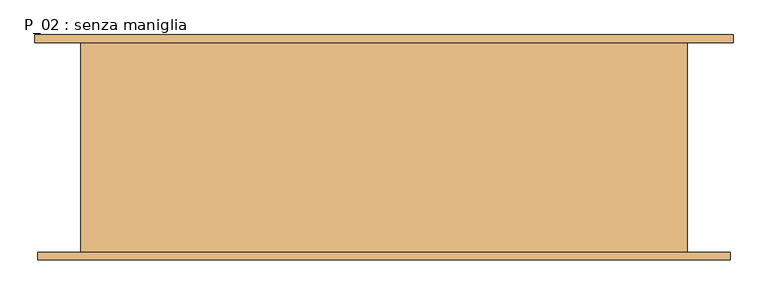
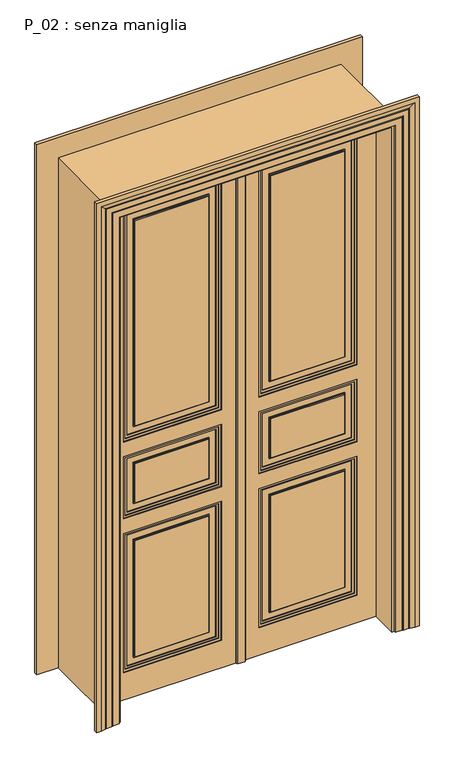
"""IFC4 building model written with IfcOpenShell, lengths in millimetres: door geometry, P_02 : senza maniglia."""

import ifcopenshell
import ifcopenshell.guid

model = None  # the IFC model being written
_history = None  # IfcOwnerHistory: only IFC2X3 demands one
_inside = {}  # id of a spatial element -> (the spatial element, [elements in it])
_under = {}  # id of a project, library or spatial element -> (it, [spatial elements below it])
_declared = {}  # id of a project -> (the project, [libraries it declares])
_typed = {}  # id of a type object -> (the type object, [elements of that type])
_made_of = {}  # id of a material, layer set ... -> (it, [elements and type objects made of it])


def new_model(schema):
    """Start an empty IFC model of exactly this schema.

    Asked for "IFC4X3", IfcOpenShell would pick the latest addendum, in which some entities
    have other attributes; the version numbers below select the first issue.
    IFC2X3 requires an IfcOwnerHistory on every rooted entity: one is made here for all.
    """
    global model, _history
    if schema == "IFC4X3":
        model = ifcopenshell.file(schema_version=(4, 3, 0, 0))
    else:
        model = ifcopenshell.file(schema=schema)
    _inside.clear()
    _under.clear()
    _declared.clear()
    _typed.clear()
    _made_of.clear()
    _history = None
    if model.schema == "IFC2X3":
        org = make("IfcOrganization", Name="unknown")
        user = make(
            "IfcPersonAndOrganization",
            ThePerson=make("IfcPerson", FamilyName="unknown"),
            TheOrganization=org,
        )
        app = make(
            "IfcApplication",
            ApplicationDeveloper=org,
            Version="unknown",
            ApplicationFullName="unknown",
            ApplicationIdentifier="unknown",
        )
        _history = make(
            "IfcOwnerHistory",
            OwningUser=user,
            OwningApplication=app,
            ChangeAction="ADDED",
            CreationDate=0,
        )
    return model


def make(cls, **values):
    """One entity of the class cls with the attributes given. An attribute that is None is left unset."""
    return model.create_entity(
        cls, **{name: value for name, value in values.items() if value is not None}
    )


def rooted(cls, **values):
    """An entity with a GlobalId (a new one), such as an element, a storey or a relation."""
    return make(cls, GlobalId=ifcopenshell.guid.new(), OwnerHistory=_history, **values)


def si_unit(unit_type, name, prefix=None):
    """IfcSIUnit, for example si_unit("LENGTHUNIT", "METRE", prefix="MILLI")."""
    return make("IfcSIUnit", UnitType=unit_type, Prefix=prefix, Name=name)


def assignment(units):
    """IfcUnitAssignment: the units of a project."""
    return None if units is None else make("IfcUnitAssignment", Units=units)


def point(xyz):
    """IfcCartesianPoint."""
    return None if xyz is None else make("IfcCartesianPoint", Coordinates=xyz)


def direction(xyz):
    """IfcDirection."""
    return None if xyz is None else make("IfcDirection", DirectionRatios=xyz)


def frame(location, z_axis=None, x_axis=None):
    """IfcAxis2Placement3D, a coordinate frame: its origin and axes. An axis left out is left unset."""
    return make(
        "IfcAxis2Placement3D",
        Location=point(location),
        Axis=direction(z_axis),
        RefDirection=direction(x_axis),
    )


def origin():
    """The frame at (0, 0, 0) with its axes left unset."""
    return frame((0.0, 0.0, 0.0))


def origin_with_axes():
    """The frame at (0, 0, 0) with the z axis (0, 0, 1) and the x axis (1, 0, 0) written out."""
    return frame((0.0, 0.0, 0.0), z_axis=(0.0, 0.0, 1.0), x_axis=(1.0, 0.0, 0.0))


def place(relative_to, where):
    """IfcLocalPlacement: puts the frame where relative to a parent placement (None: the world)."""
    return make(
        "IfcLocalPlacement", PlacementRelTo=relative_to, RelativePlacement=where
    )


def context(
    kind, dimensions, precision=None, world=None, true_north=None, identifier=None
):
    """IfcGeometricRepresentationContext, for example the 3D "Model" context."""
    return make(
        "IfcGeometricRepresentationContext",
        ContextIdentifier=identifier,
        ContextType=kind,
        CoordinateSpaceDimension=dimensions,
        Precision=precision,
        WorldCoordinateSystem=world,
        TrueNorth=true_north,
    )


def project(units=None, contexts=None):
    """IfcProject with its units and contexts."""
    return rooted(
        "IfcProject",
        Name="project",
        RepresentationContexts=contexts,
        UnitsInContext=assignment(units),
    )


def spatial(cls, under=None, at=None, **own):
    """A site, building, storey or space (cls), placed at a placement, below another one or the project."""
    s = rooted(cls, ObjectPlacement=at, **own)
    if under is not None:
        _under.setdefault(under.id(), (under, []))[1].append(s)
    return s


def polyline(points):
    """IfcPolyline through the points."""
    return make("IfcPolyline", Points=[point(p) for p in points])


def outline(outer, holes=None, kind="AREA"):
    """IfcArbitraryClosedProfileDef: a profile drawn as a closed curve; with holes, ...WithVoids."""
    if holes is None:
        return make("IfcArbitraryClosedProfileDef", ProfileType=kind, OuterCurve=outer)
    return make(
        "IfcArbitraryProfileDefWithVoids",
        ProfileType=kind,
        OuterCurve=outer,
        InnerCurves=holes,
    )


def extrude(swept, where, along, depth):
    """IfcExtrudedAreaSolid: the profile swept, set in the frame where, extruded along a direction by depth."""
    return make(
        "IfcExtrudedAreaSolid",
        SweptArea=swept,
        Position=where,
        ExtrudedDirection=direction(along),
        Depth=depth,
    )


def faces_of(points, faces, orient=None, outer=None):
    """IfcFace entities. A face is a list of loops; a loop is a list of indices into points, from 0.

    orient and outer hold one flag for each loop. By default every Orientation is true, the
    first loop of a face is its IfcFaceOuterBound and the others are IfcFaceBound.
    """
    made = []
    for i, loops in enumerate(faces):
        bounds = []
        for j, loop in enumerate(loops):
            is_outer = j == 0 if outer is None else outer[i][j]
            bounds.append(
                make(
                    "IfcFaceOuterBound" if is_outer else "IfcFaceBound",
                    Bound=make("IfcPolyLoop", Polygon=[points[k] for k in loop]),
                    Orientation=True if orient is None else orient[i][j],
                )
            )
        made.append(make("IfcFace", Bounds=bounds))
    return made


def faceted_brep(points, faces, orient=None, outer=None, voids=None):
    """IfcFacetedBrep: a solid bounded by flat faces; with voids (closed shells), ...WithVoids."""
    shared = [point(p) for p in points]
    hull = make("IfcClosedShell", CfsFaces=faces_of(shared, faces, orient, outer))
    if voids is None:
        return make("IfcFacetedBrep", Outer=hull)
    return make(
        "IfcFacetedBrepWithVoids",
        Outer=hull,
        Voids=[
            make(cls, CfsFaces=faces_of(shared, fs, o, b)) for cls, fs, o, b in voids
        ],
    )


def shape(context_of_items, identifier, shape_type, items):
    """IfcShapeRepresentation: the items that make up one representation, for example the "Body"."""
    return make(
        "IfcShapeRepresentation",
        ContextOfItems=context_of_items,
        RepresentationIdentifier=identifier,
        RepresentationType=shape_type,
        Items=items,
    )


def source(mapping_origin, context_of_items, identifier, shape_type, items):
    """IfcRepresentationMap: a shape defined once, which mapped items show again and again."""
    return make(
        "IfcRepresentationMap",
        MappingOrigin=mapping_origin,
        MappedRepresentation=shape(context_of_items, identifier, shape_type, items),
    )


def transform(
    local_origin,
    x_axis=None,
    y_axis=None,
    z_axis=None,
    scale=None,
    scale2=None,
    scale3=None,
    uniform=True,
):
    """IfcCartesianTransformationOperator3D, or its non-uniform kind. x_axis, y_axis, z_axis: its Axis1, 2, 3."""
    if uniform:
        return make(
            "IfcCartesianTransformationOperator3D",
            Axis1=direction(x_axis),
            Axis2=direction(y_axis),
            LocalOrigin=point(local_origin),
            Scale=scale,
            Axis3=direction(z_axis),
        )
    return make(
        "IfcCartesianTransformationOperator3DnonUniform",
        Axis1=direction(x_axis),
        Axis2=direction(y_axis),
        LocalOrigin=point(local_origin),
        Scale=scale,
        Axis3=direction(z_axis),
        Scale2=scale2,
        Scale3=scale3,
    )


def mapped(mapping_source, mapping_target):
    """IfcMappedItem: shows the shape of a source again, moved by a transform."""
    return make(
        "IfcMappedItem", MappingSource=mapping_source, MappingTarget=mapping_target
    )


def made_of(thing, what):
    """Note that an element or type object is made of a material, layer set ...; save() writes the relation."""
    if what is not None:
        _made_of.setdefault(what.id(), (what, []))[1].append(thing)
    return thing


def element(
    cls,
    number,
    at=None,
    inside=None,
    cuts=None,
    type_object=None,
    material=None,
    context=None,
    identifier="Body",
    shape_type=None,
    held_by="IfcProductDefinitionShape",
    body=None,
    shapes=None,
    **own,
):
    """One element of the class cls, such as IfcWall. Its Tag is "e" and its number.

    at: its placement. inside: the storey or other place that contains it. cuts: it is an
    opening in that element (IfcRelVoidsElement). A single representation is given by context,
    identifier, shape_type and body (its items); several are given by shapes. held_by: the class
    of the entity that holds the representations. save() writes the other relations.
    """
    e = rooted(cls, Tag="e%d" % number, ObjectPlacement=at, **own)
    if body is not None:
        shapes = [shape(context, identifier, shape_type, body)]
    if shapes is not None:
        e.Representation = make(held_by, Representations=shapes)
    if inside is not None:
        _inside.setdefault(inside.id(), (inside, []))[1].append(e)
    if cuts is not None:
        rooted(
            "IfcRelVoidsElement", RelatingBuildingElement=cuts, RelatedOpeningElement=e
        )
    if type_object is not None:
        _typed.setdefault(type_object.id(), (type_object, []))[1].append(e)
    return made_of(e, material)


def aggregate(whole, parts):
    """IfcRelAggregates: a whole, such as a stair, and the parts it consists of."""
    return rooted("IfcRelAggregates", RelatingObject=whole, RelatedObjects=parts)


def save(model, path):
    """Write the relations noted so far, then the file.

    IfcRelAggregates (storeys below a building ...), IfcRelContainedInSpatialStructure (elements
    in a storey), IfcRelDefinesByType, IfcRelAssociatesMaterial and IfcRelDeclares: one each for
    every whole, place, type object, material and project.
    """
    for whole, parts in _under.values():
        aggregate(whole, parts)
    for where, things in _inside.values():
        rooted(
            "IfcRelContainedInSpatialStructure",
            RelatedElements=things,
            RelatingStructure=where,
        )
    for kind, things in _typed.values():
        rooted("IfcRelDefinesByType", RelatedObjects=things, RelatingType=kind)
    for what, things in _made_of.values():
        rooted("IfcRelAssociatesMaterial", RelatedObjects=things, RelatingMaterial=what)
    for by, libraries in _declared.values():
        rooted("IfcRelDeclares", RelatingContext=by, RelatedDefinitions=libraries)
    model.write(path)


def p_02_senza_maniglia_1c77d64d(model_context):
    return source(origin(), model_context, "Body", "SolidModel", [
        extrude(outline(polyline([(0.0, -610.0), (2395.0, -610.0), (2395.0, -2.5), (2400.0, -2.5), (2400.0, -615.0), (0.0, -615.0), (0.0, -610.0)])), frame((0.0, -90.0, 0.0), z_axis=(0.0, 1.0, 0.0), x_axis=(0.0, 0.0, 1.0)), (0.0, 0.0, 1.0), 5.0),
        extrude(outline(polyline([(0.0, 615.0), (2400.0, 615.0), (2400.0, 2.5), (2395.0, 2.5), (2395.0, 610.0), (0.0, 610.0), (0.0, 615.0)])), frame((0.0, -90.0, 0.0), z_axis=(0.0, 1.0, 0.0), x_axis=(0.0, 0.0, 1.0)), (0.0, 0.0, 1.0), 5.0),
        extrude(outline(polyline([(2.5, -97.0), (2.5, -90.0), (20.0, -90.0), (20.0, -97.0), (2.5, -97.0)])), frame((0.0, 0.0, 2395.0), z_axis=(0.0, 0.0, 1.0), x_axis=(1.0, 0.0, 0.0)), (0.0, 0.0, 1.0), 5.0),
        extrude(outline(polyline([(-2.5, -97.0), (-20.0, -97.0), (-20.0, -90.0), (-2.5, -90.0), (-2.5, -97.0)])), frame((0.0, 0.0, 2395.0), z_axis=(0.0, 0.0, 1.0), x_axis=(1.0, 0.0, 0.0)), (0.0, 0.0, 1.0), 5.0),
        extrude(outline(polyline([(2.5, -97.0), (2.5, -90.0), (20.0, -90.0), (20.0, -97.0), (2.5, -97.0)])), frame((0.0, 0.0, 2395.0), z_axis=(0.0, 0.0, 1.0), x_axis=(1.0, 0.0, 0.0)), (0.0, 0.0, 1.0), 5.0),
        extrude(outline(polyline([(-2.5, -97.0), (-20.0, -97.0), (-20.0, -90.0), (-2.5, -90.0), (-2.5, -97.0)])), frame((0.0, 0.0, 2395.0), z_axis=(0.0, 0.0, 1.0), x_axis=(1.0, 0.0, 0.0)), (0.0, 0.0, 1.0), 5.0),
        extrude(outline(polyline([(15.0, -97.0), (15.0, -107.0), (-15.0, -107.0), (-15.0, -97.0), (15.0, -97.0)])), origin_with_axes(), (0.0, 0.0, 1.0), 2400.0),
        extrude(outline(polyline([(20.0, -97.0), (20.0, -102.0), (15.0, -102.0), (15.0, -97.0), (20.0, -97.0)])), origin_with_axes(), (0.0, 0.0, 1.0), 2400.0),
        extrude(outline(polyline([(-15.0, -97.0), (-15.0, -102.0), (-20.0, -102.0), (-20.0, -97.0), (-15.0, -97.0)])), origin_with_axes(), (0.0, 0.0, 1.0), 2400.0),
        extrude(outline(polyline([(-470.0, -75.0), (-470.0, -67.0), (-140.0, -67.0), (-140.0, -75.0), (-470.0, -75.0)])), frame((0.0, 0.0, 185.0), z_axis=(0.0, 0.0, 1.0), x_axis=(1.0, 0.0, 0.0)), (0.0, 0.0, 1.0), 550.0),
        extrude(outline(polyline([(-470.0, -75.0), (-470.0, -67.0), (-140.0, -67.0), (-140.0, -75.0), (-470.0, -75.0)])), frame((0.0, 0.0, 915.0), z_axis=(0.0, 0.0, 1.0), x_axis=(1.0, 0.0, 0.0)), (0.0, 0.0, 1.0), 185.0),
        extrude(outline(polyline([(-470.0, -75.0), (-470.0, -67.0), (-140.0, -67.0), (-140.0, -75.0), (-470.0, -75.0)])), frame((0.0, 0.0, 1280.0), z_axis=(0.0, 0.0, 1.0), x_axis=(1.0, 0.0, 0.0)), (0.0, 0.0, 1.0), 975.0),
        extrude(outline(polyline([(2300.0, -95.0), (2300.0, -515.0), (1235.0, -515.0), (1235.0, -95.0), (2300.0, -95.0)]), holes=[polyline([(2290.0, -105.0), (1245.0, -105.0), (1245.0, -505.0), (2290.0, -505.0), (2290.0, -105.0)])]), frame((0.0, -75.0, 0.0), z_axis=(0.0, 1.0, 0.0), x_axis=(0.0, 0.0, 1.0)), (0.0, 0.0, 1.0), 4.0),
        extrude(outline(polyline([(780.0, -95.0), (780.0, -515.0), (140.0, -515.0), (140.0, -95.0), (780.0, -95.0)]), holes=[polyline([(770.0, -105.0), (150.0, -105.0), (150.0, -505.0), (770.0, -505.0), (770.0, -105.0)])]), frame((0.0, -75.0, 0.0), z_axis=(0.0, 1.0, 0.0), x_axis=(0.0, 0.0, 1.0)), (0.0, 0.0, 1.0), 4.0),
        extrude(outline(polyline([(740.0, -135.0), (740.0, -475.0), (180.0, -475.0), (180.0, -135.0), (740.0, -135.0)]), holes=[polyline([(735.0, -140.0), (185.0, -140.0), (185.0, -470.0), (735.0, -470.0), (735.0, -140.0)])]), frame((0.0, -75.0, 0.0), z_axis=(0.0, 1.0, 0.0), x_axis=(0.0, 0.0, 1.0)), (0.0, 0.0, 1.0), 4.0),
        extrude(outline(polyline([(1145.0, -95.0), (1145.0, -515.0), (870.0, -515.0), (870.0, -95.0), (1145.0, -95.0)]), holes=[polyline([(1135.0, -105.0), (880.0, -105.0), (880.0, -505.0), (1135.0, -505.0), (1135.0, -105.0)])]), frame((0.0, -75.0, 0.0), z_axis=(0.0, 1.0, 0.0), x_axis=(0.0, 0.0, 1.0)), (0.0, 0.0, 1.0), 4.0),
        extrude(outline(polyline([(1105.0, -135.0), (1105.0, -475.0), (910.0, -475.0), (910.0, -135.0), (1105.0, -135.0)]), holes=[polyline([(1100.0, -140.0), (915.0, -140.0), (915.0, -470.0), (1100.0, -470.0), (1100.0, -140.0)])]), frame((0.0, -75.0, 0.0), z_axis=(0.0, 1.0, 0.0), x_axis=(0.0, 0.0, 1.0)), (0.0, 0.0, 1.0), 4.0),
        extrude(outline(polyline([(2260.0, -135.0), (2260.0, -475.0), (1275.0, -475.0), (1275.0, -135.0), (2260.0, -135.0)]), holes=[polyline([(2255.0, -140.0), (1280.0, -140.0), (1280.0, -470.0), (2255.0, -470.0), (2255.0, -140.0)])]), frame((0.0, -75.0, 0.0), z_axis=(0.0, 1.0, 0.0), x_axis=(0.0, 0.0, 1.0)), (0.0, 0.0, 1.0), 4.0),
        extrude(outline(polyline([(1225.0, -85.0), (2310.0, -85.0), (2310.0, -525.0), (1225.0, -525.0), (1225.0, -85.0)]), holes=[polyline([(2300.0, -95.0), (1235.0, -95.0), (1235.0, -515.0), (2300.0, -515.0), (2300.0, -95.0)])]), frame((0.0, -75.0, 0.0), z_axis=(0.0, 1.0, 0.0), x_axis=(0.0, 0.0, 1.0)), (0.0, 0.0, 1.0), 8.0),
        extrude(outline(polyline([(130.0, -525.0), (130.0, -85.0), (790.0, -85.0), (790.0, -525.0), (130.0, -525.0)]), holes=[polyline([(780.0, -95.0), (140.0, -95.0), (140.0, -515.0), (780.0, -515.0), (780.0, -95.0)])]), frame((0.0, -75.0, 0.0), z_axis=(0.0, 1.0, 0.0), x_axis=(0.0, 0.0, 1.0)), (0.0, 0.0, 1.0), 8.0),
        extrude(outline(polyline([(1155.0, -85.0), (1155.0, -525.0), (860.0, -525.0), (860.0, -85.0), (1155.0, -85.0)]), holes=[polyline([(870.0, -95.0), (870.0, -515.0), (1145.0, -515.0), (1145.0, -95.0), (870.0, -95.0)])]), frame((0.0, -75.0, 0.0), z_axis=(0.0, 1.0, 0.0), x_axis=(0.0, 0.0, 1.0)), (0.0, 0.0, 1.0), 8.0),
        extrude(outline(polyline([(0.0, -610.0), (0.0, -2.5), (2395.0, -2.5), (2395.0, -610.0), (0.0, -610.0)]), holes=[polyline([(1225.0, -85.0), (1225.0, -525.0), (2310.0, -525.0), (2310.0, -85.0), (1225.0, -85.0)]), polyline([(130.0, -85.0), (130.0, -525.0), (790.0, -525.0), (790.0, -85.0), (130.0, -85.0)]), polyline([(1155.0, -525.0), (1155.0, -85.0), (860.0, -85.0), (860.0, -525.0), (1155.0, -525.0)])]), frame((0.0, -75.0, 0.0), z_axis=(0.0, 1.0, 0.0), x_axis=(0.0, 0.0, 1.0)), (0.0, 0.0, 1.0), 12.0),
        extrude(outline(polyline([(140.0, -75.0), (140.0, -67.0), (470.0, -67.0), (470.0, -75.0), (140.0, -75.0)])), frame((0.0, 0.0, 185.0), z_axis=(0.0, 0.0, 1.0), x_axis=(1.0, 0.0, 0.0)), (0.0, 0.0, 1.0), 550.0),
        extrude(outline(polyline([(140.0, -75.0), (140.0, -67.0), (470.0, -67.0), (470.0, -75.0), (140.0, -75.0)])), frame((0.0, 0.0, 915.0), z_axis=(0.0, 0.0, 1.0), x_axis=(1.0, 0.0, 0.0)), (0.0, 0.0, 1.0), 185.0),
        extrude(outline(polyline([(140.0, -75.0), (140.0, -67.0), (470.0, -67.0), (470.0, -75.0), (140.0, -75.0)])), frame((0.0, 0.0, 1280.0), z_axis=(0.0, 0.0, 1.0), x_axis=(1.0, 0.0, 0.0)), (0.0, 0.0, 1.0), 975.0),
        extrude(outline(polyline([(2300.0, 95.0), (1235.0, 95.0), (1235.0, 515.0), (2300.0, 515.0), (2300.0, 95.0)]), holes=[polyline([(2290.0, 105.0), (2290.0, 505.0), (1245.0, 505.0), (1245.0, 105.0), (2290.0, 105.0)])]), frame((0.0, -75.0, 0.0), z_axis=(0.0, 1.0, 0.0), x_axis=(0.0, 0.0, 1.0)), (0.0, 0.0, 1.0), 4.0),
        extrude(outline(polyline([(780.0, 95.0), (140.0, 95.0), (140.0, 515.0), (780.0, 515.0), (780.0, 95.0)]), holes=[polyline([(770.0, 105.0), (770.0, 505.0), (150.0, 505.0), (150.0, 105.0), (770.0, 105.0)])]), frame((0.0, -75.0, 0.0), z_axis=(0.0, 1.0, 0.0), x_axis=(0.0, 0.0, 1.0)), (0.0, 0.0, 1.0), 4.0),
        extrude(outline(polyline([(740.0, 135.0), (180.0, 135.0), (180.0, 475.0), (740.0, 475.0), (740.0, 135.0)]), holes=[polyline([(735.0, 140.0), (735.0, 470.0), (185.0, 470.0), (185.0, 140.0), (735.0, 140.0)])]), frame((0.0, -75.0, 0.0), z_axis=(0.0, 1.0, 0.0), x_axis=(0.0, 0.0, 1.0)), (0.0, 0.0, 1.0), 4.0),
        extrude(outline(polyline([(1145.0, 95.0), (870.0, 95.0), (870.0, 515.0), (1145.0, 515.0), (1145.0, 95.0)]), holes=[polyline([(1135.0, 105.0), (1135.0, 505.0), (880.0, 505.0), (880.0, 105.0), (1135.0, 105.0)])]), frame((0.0, -75.0, 0.0), z_axis=(0.0, 1.0, 0.0), x_axis=(0.0, 0.0, 1.0)), (0.0, 0.0, 1.0), 4.0),
        extrude(outline(polyline([(1105.0, 135.0), (910.0, 135.0), (910.0, 475.0), (1105.0, 475.0), (1105.0, 135.0)]), holes=[polyline([(1100.0, 140.0), (1100.0, 470.0), (915.0, 470.0), (915.0, 140.0), (1100.0, 140.0)])]), frame((0.0, -75.0, 0.0), z_axis=(0.0, 1.0, 0.0), x_axis=(0.0, 0.0, 1.0)), (0.0, 0.0, 1.0), 4.0),
        extrude(outline(polyline([(2260.0, 135.0), (1275.0, 135.0), (1275.0, 475.0), (2260.0, 475.0), (2260.0, 135.0)]), holes=[polyline([(2255.0, 140.0), (2255.0, 470.0), (1280.0, 470.0), (1280.0, 140.0), (2255.0, 140.0)])]), frame((0.0, -75.0, 0.0), z_axis=(0.0, 1.0, 0.0), x_axis=(0.0, 0.0, 1.0)), (0.0, 0.0, 1.0), 4.0),
        extrude(outline(polyline([(1225.0, 85.0), (1225.0, 525.0), (2310.0, 525.0), (2310.0, 85.0), (1225.0, 85.0)]), holes=[polyline([(2300.0, 95.0), (2300.0, 515.0), (1235.0, 515.0), (1235.0, 95.0), (2300.0, 95.0)])]), frame((0.0, -75.0, 0.0), z_axis=(0.0, 1.0, 0.0), x_axis=(0.0, 0.0, 1.0)), (0.0, 0.0, 1.0), 8.0),
        extrude(outline(polyline([(130.0, 525.0), (790.0, 525.0), (790.0, 85.0), (130.0, 85.0), (130.0, 525.0)]), holes=[polyline([(780.0, 95.0), (780.0, 515.0), (140.0, 515.0), (140.0, 95.0), (780.0, 95.0)])]), frame((0.0, -75.0, 0.0), z_axis=(0.0, 1.0, 0.0), x_axis=(0.0, 0.0, 1.0)), (0.0, 0.0, 1.0), 8.0),
        extrude(outline(polyline([(1155.0, 85.0), (860.0, 85.0), (860.0, 525.0), (1155.0, 525.0), (1155.0, 85.0)]), holes=[polyline([(870.0, 95.0), (1145.0, 95.0), (1145.0, 515.0), (870.0, 515.0), (870.0, 95.0)])]), frame((0.0, -75.0, 0.0), z_axis=(0.0, 1.0, 0.0), x_axis=(0.0, 0.0, 1.0)), (0.0, 0.0, 1.0), 8.0),
        extrude(outline(polyline([(0.0, 610.0), (2395.0, 610.0), (2395.0, 2.5), (0.0, 2.5), (0.0, 610.0)]), holes=[polyline([(1225.0, 85.0), (2310.0, 85.0), (2310.0, 525.0), (1225.0, 525.0), (1225.0, 85.0)]), polyline([(130.0, 85.0), (790.0, 85.0), (790.0, 525.0), (130.0, 525.0), (130.0, 85.0)]), polyline([(1155.0, 525.0), (860.0, 525.0), (860.0, 85.0), (1155.0, 85.0), (1155.0, 525.0)])]), frame((0.0, -75.0, 0.0), z_axis=(0.0, 1.0, 0.0), x_axis=(0.0, 0.0, 1.0)), (0.0, 0.0, 1.0), 12.0),
        extrude(outline(polyline([(-140.0, -85.0), (-140.0, -93.0), (-470.0, -93.0), (-470.0, -85.0), (-140.0, -85.0)])), frame((0.0, 0.0, 185.0), z_axis=(0.0, 0.0, 1.0), x_axis=(1.0, 0.0, 0.0)), (0.0, 0.0, 1.0), 550.0),
        extrude(outline(polyline([(-140.0, -85.0), (-140.0, -93.0), (-470.0, -93.0), (-470.0, -85.0), (-140.0, -85.0)])), frame((0.0, 0.0, 915.0), z_axis=(0.0, 0.0, 1.0), x_axis=(1.0, 0.0, 0.0)), (0.0, 0.0, 1.0), 185.0),
        extrude(outline(polyline([(-140.0, -85.0), (-140.0, -93.0), (-470.0, -93.0), (-470.0, -85.0), (-140.0, -85.0)])), frame((0.0, 0.0, 1280.0), z_axis=(0.0, 0.0, 1.0), x_axis=(1.0, 0.0, 0.0)), (0.0, 0.0, 1.0), 975.0),
        extrude(outline(polyline([(2300.0, -95.0), (2300.0, -515.0), (1235.0, -515.0), (1235.0, -95.0), (2300.0, -95.0)]), holes=[polyline([(2290.0, -105.0), (1245.0, -105.0), (1245.0, -505.0), (2290.0, -505.0), (2290.0, -105.0)])]), frame((0.0, -89.0, 0.0), z_axis=(0.0, 1.0, 0.0), x_axis=(0.0, 0.0, 1.0)), (0.0, 0.0, 1.0), 4.0),
        extrude(outline(polyline([(780.0, -95.0), (780.0, -515.0), (140.0, -515.0), (140.0, -95.0), (780.0, -95.0)]), holes=[polyline([(770.0, -105.0), (150.0, -105.0), (150.0, -505.0), (770.0, -505.0), (770.0, -105.0)])]), frame((0.0, -89.0, 0.0), z_axis=(0.0, 1.0, 0.0), x_axis=(0.0, 0.0, 1.0)), (0.0, 0.0, 1.0), 4.0),
        extrude(outline(polyline([(740.0, -135.0), (740.0, -475.0), (180.0, -475.0), (180.0, -135.0), (740.0, -135.0)]), holes=[polyline([(735.0, -140.0), (185.0, -140.0), (185.0, -470.0), (735.0, -470.0), (735.0, -140.0)])]), frame((0.0, -89.0, 0.0), z_axis=(0.0, 1.0, 0.0), x_axis=(0.0, 0.0, 1.0)), (0.0, 0.0, 1.0), 4.0),
        extrude(outline(polyline([(1145.0, -95.0), (1145.0, -515.0), (870.0, -515.0), (870.0, -95.0), (1145.0, -95.0)]), holes=[polyline([(1135.0, -105.0), (880.0, -105.0), (880.0, -505.0), (1135.0, -505.0), (1135.0, -105.0)])]), frame((0.0, -89.0, 0.0), z_axis=(0.0, 1.0, 0.0), x_axis=(0.0, 0.0, 1.0)), (0.0, 0.0, 1.0), 4.0),
        extrude(outline(polyline([(1105.0, -135.0), (1105.0, -475.0), (910.0, -475.0), (910.0, -135.0), (1105.0, -135.0)]), holes=[polyline([(1100.0, -140.0), (915.0, -140.0), (915.0, -470.0), (1100.0, -470.0), (1100.0, -140.0)])]), frame((0.0, -89.0, 0.0), z_axis=(0.0, 1.0, 0.0), x_axis=(0.0, 0.0, 1.0)), (0.0, 0.0, 1.0), 4.0),
        extrude(outline(polyline([(2260.0, -135.0), (2260.0, -475.0), (1275.0, -475.0), (1275.0, -135.0), (2260.0, -135.0)]), holes=[polyline([(2255.0, -140.0), (1280.0, -140.0), (1280.0, -470.0), (2255.0, -470.0), (2255.0, -140.0)])]), frame((0.0, -89.0, 0.0), z_axis=(0.0, 1.0, 0.0), x_axis=(0.0, 0.0, 1.0)), (0.0, 0.0, 1.0), 4.0),
        extrude(outline(polyline([(1225.0, -85.0), (2310.0, -85.0), (2310.0, -525.0), (1225.0, -525.0), (1225.0, -85.0)]), holes=[polyline([(2300.0, -95.0), (1235.0, -95.0), (1235.0, -515.0), (2300.0, -515.0), (2300.0, -95.0)])]), frame((0.0, -93.0, 0.0), z_axis=(0.0, 1.0, 0.0), x_axis=(0.0, 0.0, 1.0)), (0.0, 0.0, 1.0), 8.0),
        extrude(outline(polyline([(130.0, -525.0), (130.0, -85.0), (790.0, -85.0), (790.0, -525.0), (130.0, -525.0)]), holes=[polyline([(780.0, -95.0), (140.0, -95.0), (140.0, -515.0), (780.0, -515.0), (780.0, -95.0)])]), frame((0.0, -93.0, 0.0), z_axis=(0.0, 1.0, 0.0), x_axis=(0.0, 0.0, 1.0)), (0.0, 0.0, 1.0), 8.0),
        extrude(outline(polyline([(1155.0, -85.0), (1155.0, -525.0), (860.0, -525.0), (860.0, -85.0), (1155.0, -85.0)]), holes=[polyline([(870.0, -95.0), (870.0, -515.0), (1145.0, -515.0), (1145.0, -95.0), (870.0, -95.0)])]), frame((0.0, -93.0, 0.0), z_axis=(0.0, 1.0, 0.0), x_axis=(0.0, 0.0, 1.0)), (0.0, 0.0, 1.0), 8.0),
        extrude(outline(polyline([(0.0, -610.0), (0.0, -2.5), (2395.0, -2.5), (2395.0, -610.0), (0.0, -610.0)]), holes=[polyline([(1225.0, -85.0), (1225.0, -525.0), (2310.0, -525.0), (2310.0, -85.0), (1225.0, -85.0)]), polyline([(130.0, -85.0), (130.0, -525.0), (790.0, -525.0), (790.0, -85.0), (130.0, -85.0)]), polyline([(1155.0, -525.0), (1155.0, -85.0), (860.0, -85.0), (860.0, -525.0), (1155.0, -525.0)])]), frame((0.0, -97.0, 0.0), z_axis=(0.0, 1.0, 0.0), x_axis=(0.0, 0.0, 1.0)), (0.0, 0.0, 1.0), 12.0),
        extrude(outline(polyline([(0.0, -610.0), (2395.0, -610.0), (2395.0, -2.5), (2400.0, -2.5), (2400.0, -615.0), (0.0, -615.0), (0.0, -610.0)])), frame((0.0, -90.0, 0.0), z_axis=(0.0, 1.0, 0.0), x_axis=(0.0, 0.0, 1.0)), (0.0, 0.0, 1.0), 5.0),
        extrude(outline(polyline([(-2.5, -75.0), (-2.5, -85.0), (-615.0, -85.0), (-615.0, -75.0), (-2.5, -75.0)])), origin_with_axes(), (0.0, 0.0, 1.0), 2400.0),
        extrude(outline(polyline([(615.0, -75.0), (615.0, -85.0), (2.5, -85.0), (2.5, -75.0), (615.0, -75.0)])), origin_with_axes(), (0.0, 0.0, 1.0), 2400.0),
        extrude(outline(polyline([(470.0, -85.0), (470.0, -93.0), (140.0, -93.0), (140.0, -85.0), (470.0, -85.0)])), frame((0.0, 0.0, 185.0), z_axis=(0.0, 0.0, 1.0), x_axis=(1.0, 0.0, 0.0)), (0.0, 0.0, 1.0), 550.0),
        extrude(outline(polyline([(470.0, -85.0), (470.0, -93.0), (140.0, -93.0), (140.0, -85.0), (470.0, -85.0)])), frame((0.0, 0.0, 915.0), z_axis=(0.0, 0.0, 1.0), x_axis=(1.0, 0.0, 0.0)), (0.0, 0.0, 1.0), 185.0),
        extrude(outline(polyline([(470.0, -85.0), (470.0, -93.0), (140.0, -93.0), (140.0, -85.0), (470.0, -85.0)])), frame((0.0, 0.0, 1280.0), z_axis=(0.0, 0.0, 1.0), x_axis=(1.0, 0.0, 0.0)), (0.0, 0.0, 1.0), 975.0),
        extrude(outline(polyline([(2300.0, 95.0), (1235.0, 95.0), (1235.0, 515.0), (2300.0, 515.0), (2300.0, 95.0)]), holes=[polyline([(2290.0, 105.0), (2290.0, 505.0), (1245.0, 505.0), (1245.0, 105.0), (2290.0, 105.0)])]), frame((0.0, -89.0, 0.0), z_axis=(0.0, 1.0, 0.0), x_axis=(0.0, 0.0, 1.0)), (0.0, 0.0, 1.0), 4.0),
        extrude(outline(polyline([(780.0, 95.0), (140.0, 95.0), (140.0, 515.0), (780.0, 515.0), (780.0, 95.0)]), holes=[polyline([(770.0, 105.0), (770.0, 505.0), (150.0, 505.0), (150.0, 105.0), (770.0, 105.0)])]), frame((0.0, -89.0, 0.0), z_axis=(0.0, 1.0, 0.0), x_axis=(0.0, 0.0, 1.0)), (0.0, 0.0, 1.0), 4.0),
        extrude(outline(polyline([(740.0, 135.0), (180.0, 135.0), (180.0, 475.0), (740.0, 475.0), (740.0, 135.0)]), holes=[polyline([(735.0, 140.0), (735.0, 470.0), (185.0, 470.0), (185.0, 140.0), (735.0, 140.0)])]), frame((0.0, -89.0, 0.0), z_axis=(0.0, 1.0, 0.0), x_axis=(0.0, 0.0, 1.0)), (0.0, 0.0, 1.0), 4.0),
        extrude(outline(polyline([(1145.0, 95.0), (870.0, 95.0), (870.0, 515.0), (1145.0, 515.0), (1145.0, 95.0)]), holes=[polyline([(1135.0, 105.0), (1135.0, 505.0), (880.0, 505.0), (880.0, 105.0), (1135.0, 105.0)])]), frame((0.0, -89.0, 0.0), z_axis=(0.0, 1.0, 0.0), x_axis=(0.0, 0.0, 1.0)), (0.0, 0.0, 1.0), 4.0),
        extrude(outline(polyline([(1105.0, 135.0), (910.0, 135.0), (910.0, 475.0), (1105.0, 475.0), (1105.0, 135.0)]), holes=[polyline([(1100.0, 140.0), (1100.0, 470.0), (915.0, 470.0), (915.0, 140.0), (1100.0, 140.0)])]), frame((0.0, -89.0, 0.0), z_axis=(0.0, 1.0, 0.0), x_axis=(0.0, 0.0, 1.0)), (0.0, 0.0, 1.0), 4.0),
        extrude(outline(polyline([(2260.0, 135.0), (1275.0, 135.0), (1275.0, 475.0), (2260.0, 475.0), (2260.0, 135.0)]), holes=[polyline([(2255.0, 140.0), (2255.0, 470.0), (1280.0, 470.0), (1280.0, 140.0), (2255.0, 140.0)])]), frame((0.0, -89.0, 0.0), z_axis=(0.0, 1.0, 0.0), x_axis=(0.0, 0.0, 1.0)), (0.0, 0.0, 1.0), 4.0),
        extrude(outline(polyline([(1225.0, 85.0), (1225.0, 525.0), (2310.0, 525.0), (2310.0, 85.0), (1225.0, 85.0)]), holes=[polyline([(2300.0, 95.0), (2300.0, 515.0), (1235.0, 515.0), (1235.0, 95.0), (2300.0, 95.0)])]), frame((0.0, -93.0, 0.0), z_axis=(0.0, 1.0, 0.0), x_axis=(0.0, 0.0, 1.0)), (0.0, 0.0, 1.0), 8.0),
        extrude(outline(polyline([(130.0, 525.0), (790.0, 525.0), (790.0, 85.0), (130.0, 85.0), (130.0, 525.0)]), holes=[polyline([(780.0, 95.0), (780.0, 515.0), (140.0, 515.0), (140.0, 95.0), (780.0, 95.0)])]), frame((0.0, -93.0, 0.0), z_axis=(0.0, 1.0, 0.0), x_axis=(0.0, 0.0, 1.0)), (0.0, 0.0, 1.0), 8.0),
        extrude(outline(polyline([(1155.0, 85.0), (860.0, 85.0), (860.0, 525.0), (1155.0, 525.0), (1155.0, 85.0)]), holes=[polyline([(870.0, 95.0), (1145.0, 95.0), (1145.0, 515.0), (870.0, 515.0), (870.0, 95.0)])]), frame((0.0, -93.0, 0.0), z_axis=(0.0, 1.0, 0.0), x_axis=(0.0, 0.0, 1.0)), (0.0, 0.0, 1.0), 8.0),
        extrude(outline(polyline([(0.0, 610.0), (2395.0, 610.0), (2395.0, 2.5), (0.0, 2.5), (0.0, 610.0)]), holes=[polyline([(1225.0, 85.0), (2310.0, 85.0), (2310.0, 525.0), (1225.0, 525.0), (1225.0, 85.0)]), polyline([(130.0, 85.0), (790.0, 85.0), (790.0, 525.0), (130.0, 525.0), (130.0, 85.0)]), polyline([(1155.0, 525.0), (860.0, 525.0), (860.0, 85.0), (1155.0, 85.0), (1155.0, 525.0)])]), frame((0.0, -97.0, 0.0), z_axis=(0.0, 1.0, 0.0), x_axis=(0.0, 0.0, 1.0)), (0.0, 0.0, 1.0), 12.0),
        extrude(outline(polyline([(0.0, 615.0), (2400.0, 615.0), (2400.0, 2.5), (2395.0, 2.5), (2395.0, 610.0), (0.0, 610.0), (0.0, 615.0)])), frame((0.0, -90.0, 0.0), z_axis=(0.0, 1.0, 0.0), x_axis=(0.0, 0.0, 1.0)), (0.0, 0.0, 1.0), 5.0),
        faceted_brep([(725.0, -220.0, 0.0), (725.0, -236.0, 0.0), (705.0, -236.0, 0.0), (685.0, -232.0291126, 0.0), (685.0, -231.0291126, 0.0), (680.0, -231.0291126, 0.0), (680.0, -230.0291126, 0.0), (656.0, -230.0291126, 0.0), (656.0, -229.0291126, 0.0), (651.0, -229.0291126, 0.0), (651.0, -228.0291126, 0.0), (621.0, -228.0291126, 0.0), (621.0, -220.0, 0.0), (611.0, -220.0, 0.0), (611.0, 220.0, 0.0), (621.0, 220.0, 0.0), (621.0, 228.0291126, 0.0), (651.0, 228.0291126, 0.0), (651.0, 229.0291126, 0.0), (656.0, 229.0291126, 0.0), (656.0, 230.0291126, 0.0), (686.0, 230.0291126, 0.0), (686.0, 231.0291126, 0.0), (691.0, 231.0291126, 0.0), (691.0, 232.0291126, 0.0), (711.0, 236.0, 0.0), (731.0, 236.0, 0.0), (731.0, 220.0, 0.0), (635.0, 220.0, 0.0), (635.0, -220.0, 0.0), (635.0, -220.0, 2420.0), (-635.0, -220.0, 2420.0), (-635.0, -220.0, 0.0), (-725.0, -220.0, 0.0), (-725.0, -220.0, 2510.0), (725.0, -220.0, 2510.0), (635.0, 220.0, 2420.0), (731.0, 220.0, 2516.0), (-731.0, 220.0, 2516.0), (-731.0, 220.0, 0.0), (-635.0, 220.0, 0.0), (-635.0, 220.0, 2420.0), (731.0, 236.0, 2516.0), (711.0, 236.0, 2496.0), (-711.0, 236.0, 2496.0), (-711.0, 236.0, 0.0), (-731.0, 236.0, 0.0), (-731.0, 236.0, 2516.0), (691.0, 232.0291126, 2476.0), (691.0, 231.0291126, 2476.0), (686.0, 231.0291126, 2471.0), (-686.0, 231.0291126, 2471.0), (-686.0, 231.0291126, 0.0), (-691.0, 231.0291126, 0.0), (-691.0, 231.0291126, 2476.0), (686.0, 230.0291126, 2471.0), (656.0, 230.0291126, 2441.0), (-656.0, 230.0291126, 2441.0), (-656.0, 230.0291126, 0.0), (-686.0, 230.0291126, 0.0), (-686.0, 230.0291126, 2471.0), (656.0, 229.0291126, 2441.0), (651.0, 229.0291126, 2436.0), (-651.0, 229.0291126, 2436.0), (-651.0, 229.0291126, 0.0), (-656.0, 229.0291126, 0.0), (-656.0, 229.0291126, 2441.0), (651.0, 228.0291126, 2436.0), (621.0, 228.0291126, 2406.0), (-621.0, 228.0291126, 2406.0), (-621.0, 228.0291126, 0.0), (-651.0, 228.0291126, 0.0), (-651.0, 228.0291126, 2436.0), (621.0, 220.0, 2406.0), (611.0, 220.0, 2396.0), (-611.0, 220.0, 2396.0), (-611.0, 220.0, 0.0), (-621.0, 220.0, 0.0), (-621.0, 220.0, 2406.0), (611.0, -220.0, 2396.0), (621.0, -220.0, 2406.0), (-621.0, -220.0, 2406.0), (-621.0, -220.0, 0.0), (-611.0, -220.0, 0.0), (-611.0, -220.0, 2396.0), (621.0, -228.0291126, 2406.0), (651.0, -228.0291126, 2436.0), (-651.0, -228.0291126, 2436.0), (-651.0, -228.0291126, 0.0), (-621.0, -228.0291126, 0.0), (-621.0, -228.0291126, 2406.0), (651.0, -229.0291126, 2436.0), (656.0, -229.0291126, 2441.0), (-656.0, -229.0291126, 2441.0), (-656.0, -229.0291126, 0.0), (-651.0, -229.0291126, 0.0), (-651.0, -229.0291126, 2436.0), (656.0, -230.0291126, 2441.0), (680.0, -230.0291126, 2465.0), (-680.0, -230.0291126, 2465.0), (-680.0, -230.0291126, 0.0), (-656.0, -230.0291126, 0.0), (-656.0, -230.0291126, 2441.0), (680.0, -231.0291126, 2465.0), (685.0, -231.0291126, 2470.0), (-685.0, -231.0291126, 2470.0), (-685.0, -231.0291126, 0.0), (-680.0, -231.0291126, 0.0), (-680.0, -231.0291126, 2465.0), (685.0, -232.0291126, 2470.0), (705.0, -236.0, 2490.0), (725.0, -236.0, 2510.0), (-725.0, -236.0, 2510.0), (-725.0, -236.0, 0.0), (-705.0, -236.0, 0.0), (-705.0, -236.0, 2490.0), (-691.0, 232.0291126, 0.0), (-685.0, -232.0291126, 0.0), (-685.0, -232.0291126, 2470.0), (-691.0, 232.0291126, 2476.0)], [[[0, 1, 2, 3, 4, 5, 6, 7, 8, 9, 10, 11, 12, 13, 14, 15, 16, 17, 18, 19, 20, 21, 22, 23, 24, 25, 26, 27, 28, 29]], [[29, 30, 31, 32, 33, 34, 35, 0]], [[28, 36, 30, 29]], [[27, 37, 38, 39, 40, 41, 36, 28]], [[26, 42, 37, 27]], [[25, 43, 44, 45, 46, 47, 42, 26]], [[24, 48, 43, 25]], [[23, 49, 48, 24]], [[22, 50, 51, 52, 53, 54, 49, 23]], [[21, 55, 50, 22]], [[20, 56, 57, 58, 59, 60, 55, 21]], [[19, 61, 56, 20]], [[18, 62, 63, 64, 65, 66, 61, 19]], [[17, 67, 62, 18]], [[16, 68, 69, 70, 71, 72, 67, 17]], [[15, 73, 68, 16]], [[14, 74, 75, 76, 77, 78, 73, 15]], [[13, 79, 74, 14]], [[12, 80, 81, 82, 83, 84, 79, 13]], [[11, 85, 80, 12]], [[10, 86, 87, 88, 89, 90, 85, 11]], [[9, 91, 86, 10]], [[8, 92, 93, 94, 95, 96, 91, 9]], [[7, 97, 92, 8]], [[6, 98, 99, 100, 101, 102, 97, 7]], [[5, 103, 98, 6]], [[4, 104, 105, 106, 107, 108, 103, 5]], [[3, 109, 104, 4]], [[2, 110, 109, 3]], [[1, 111, 112, 113, 114, 115, 110, 2]], [[0, 35, 111, 1]], [[34, 33, 113, 112]], [[33, 32, 40, 39, 46, 45, 116, 53, 52, 59, 58, 65, 64, 71, 70, 77, 76, 83, 82, 89, 88, 95, 94, 101, 100, 107, 106, 117, 114, 113]], [[41, 40, 32, 31]], [[78, 77, 70, 69]], [[84, 83, 76, 75]], [[90, 89, 82, 81]], [[115, 114, 117, 118]], [[118, 117, 106, 105]], [[108, 107, 100, 99]], [[102, 101, 94, 93]], [[96, 95, 88, 87]], [[72, 71, 64, 63]], [[66, 65, 58, 57]], [[60, 59, 52, 51]], [[54, 53, 116, 119]], [[119, 116, 45, 44]], [[47, 46, 39, 38]], [[35, 34, 112, 111]], [[36, 41, 31, 30]], [[73, 78, 69, 68]], [[79, 84, 75, 74]], [[85, 90, 81, 80]], [[91, 96, 87, 86]], [[97, 102, 93, 92]], [[103, 108, 99, 98]], [[109, 118, 105, 104]], [[110, 115, 118, 109]], [[42, 47, 38, 37]], [[48, 119, 44, 43]], [[49, 54, 119, 48]], [[55, 60, 51, 50]], [[61, 66, 57, 56]], [[67, 72, 63, 62]]]),
    ])


if __name__ == "__main__":
    model = new_model("IFC4")
    model_context = context("Model", 3, world=origin())
    ifc_project = project(units=[si_unit("LENGTHUNIT", "METRE", prefix="MILLI")], contexts=[model_context])
    site = spatial("IfcSite", under=ifc_project)
    building = spatial("IfcBuilding", under=site)
    placement = place(None, origin())
    p_02_senza_maniglia_shape = p_02_senza_maniglia_1c77d64d(model_context)
    element("IfcDoor", 1, ObjectType="P_02 : senza maniglia", at=placement, inside=building, context=model_context, shape_type="MappedRepresentation", body=[
        mapped(p_02_senza_maniglia_shape, transform((0.0, 0.0, 0.0), x_axis=(1.0, 0.0, 0.0), y_axis=(0.0, 1.0, 0.0), z_axis=(0.0, 0.0, 1.0))),
    ])
    save(model, "model.ifc")
